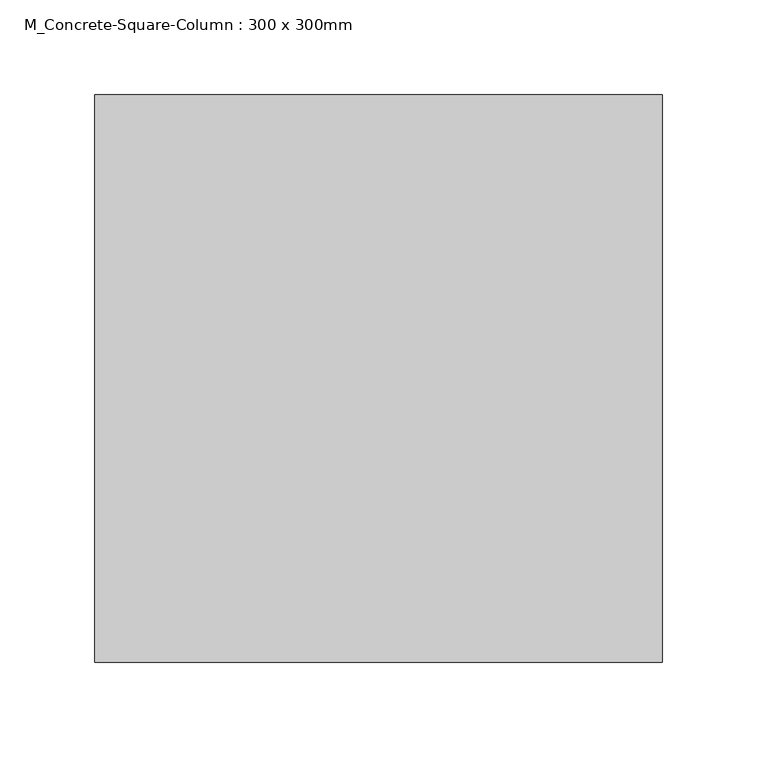
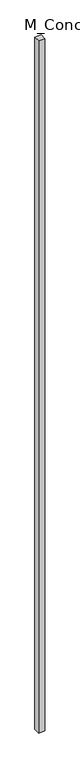
"""IFC4 building model written with IfcOpenShell, lengths in millimetres: column geometry, M_Concrete-Square-Column : 300 x 300mm."""

import ifcopenshell
import ifcopenshell.guid

model = None  # the IFC model being written
_history = None  # IfcOwnerHistory: only IFC2X3 demands one
_inside = {}  # id of a spatial element -> (the spatial element, [elements in it])
_under = {}  # id of a project, library or spatial element -> (it, [spatial elements below it])
_declared = {}  # id of a project -> (the project, [libraries it declares])
_typed = {}  # id of a type object -> (the type object, [elements of that type])
_made_of = {}  # id of a material, layer set ... -> (it, [elements and type objects made of it])


def new_model(schema):
    """Start an empty IFC model of exactly this schema.

    Asked for "IFC4X3", IfcOpenShell would pick the latest addendum, in which some entities
    have other attributes; the version numbers below select the first issue.
    IFC2X3 requires an IfcOwnerHistory on every rooted entity: one is made here for all.
    """
    global model, _history
    if schema == "IFC4X3":
        model = ifcopenshell.file(schema_version=(4, 3, 0, 0))
    else:
        model = ifcopenshell.file(schema=schema)
    _inside.clear()
    _under.clear()
    _declared.clear()
    _typed.clear()
    _made_of.clear()
    _history = None
    if model.schema == "IFC2X3":
        org = make("IfcOrganization", Name="unknown")
        user = make(
            "IfcPersonAndOrganization",
            ThePerson=make("IfcPerson", FamilyName="unknown"),
            TheOrganization=org,
        )
        app = make(
            "IfcApplication",
            ApplicationDeveloper=org,
            Version="unknown",
            ApplicationFullName="unknown",
            ApplicationIdentifier="unknown",
        )
        _history = make(
            "IfcOwnerHistory",
            OwningUser=user,
            OwningApplication=app,
            ChangeAction="ADDED",
            CreationDate=0,
        )
    return model


def make(cls, **values):
    """One entity of the class cls with the attributes given. An attribute that is None is left unset."""
    return model.create_entity(
        cls, **{name: value for name, value in values.items() if value is not None}
    )


def rooted(cls, **values):
    """An entity with a GlobalId (a new one), such as an element, a storey or a relation."""
    return make(cls, GlobalId=ifcopenshell.guid.new(), OwnerHistory=_history, **values)


def si_unit(unit_type, name, prefix=None):
    """IfcSIUnit, for example si_unit("LENGTHUNIT", "METRE", prefix="MILLI")."""
    return make("IfcSIUnit", UnitType=unit_type, Prefix=prefix, Name=name)


def assignment(units):
    """IfcUnitAssignment: the units of a project."""
    return None if units is None else make("IfcUnitAssignment", Units=units)


def point(xyz):
    """IfcCartesianPoint."""
    return None if xyz is None else make("IfcCartesianPoint", Coordinates=xyz)


def direction(xyz):
    """IfcDirection."""
    return None if xyz is None else make("IfcDirection", DirectionRatios=xyz)


def frame(location, z_axis=None, x_axis=None):
    """IfcAxis2Placement3D, a coordinate frame: its origin and axes. An axis left out is left unset."""
    return make(
        "IfcAxis2Placement3D",
        Location=point(location),
        Axis=direction(z_axis),
        RefDirection=direction(x_axis),
    )


def origin():
    """The frame at (0, 0, 0) with its axes left unset."""
    return frame((0.0, 0.0, 0.0))


def place(relative_to, where):
    """IfcLocalPlacement: puts the frame where relative to a parent placement (None: the world)."""
    return make(
        "IfcLocalPlacement", PlacementRelTo=relative_to, RelativePlacement=where
    )


def context(
    kind, dimensions, precision=None, world=None, true_north=None, identifier=None
):
    """IfcGeometricRepresentationContext, for example the 3D "Model" context."""
    return make(
        "IfcGeometricRepresentationContext",
        ContextIdentifier=identifier,
        ContextType=kind,
        CoordinateSpaceDimension=dimensions,
        Precision=precision,
        WorldCoordinateSystem=world,
        TrueNorth=true_north,
    )


def project(units=None, contexts=None):
    """IfcProject with its units and contexts."""
    return rooted(
        "IfcProject",
        Name="project",
        RepresentationContexts=contexts,
        UnitsInContext=assignment(units),
    )


def spatial(cls, under=None, at=None, **own):
    """A site, building, storey or space (cls), placed at a placement, below another one or the project."""
    s = rooted(cls, ObjectPlacement=at, **own)
    if under is not None:
        _under.setdefault(under.id(), (under, []))[1].append(s)
    return s


def polyline(points):
    """IfcPolyline through the points."""
    return make("IfcPolyline", Points=[point(p) for p in points])


def outline(outer, holes=None, kind="AREA"):
    """IfcArbitraryClosedProfileDef: a profile drawn as a closed curve; with holes, ...WithVoids."""
    if holes is None:
        return make("IfcArbitraryClosedProfileDef", ProfileType=kind, OuterCurve=outer)
    return make(
        "IfcArbitraryProfileDefWithVoids",
        ProfileType=kind,
        OuterCurve=outer,
        InnerCurves=holes,
    )


def extrude(swept, where, along, depth):
    """IfcExtrudedAreaSolid: the profile swept, set in the frame where, extruded along a direction by depth."""
    return make(
        "IfcExtrudedAreaSolid",
        SweptArea=swept,
        Position=where,
        ExtrudedDirection=direction(along),
        Depth=depth,
    )


def shape(context_of_items, identifier, shape_type, items):
    """IfcShapeRepresentation: the items that make up one representation, for example the "Body"."""
    return make(
        "IfcShapeRepresentation",
        ContextOfItems=context_of_items,
        RepresentationIdentifier=identifier,
        RepresentationType=shape_type,
        Items=items,
    )


def source(mapping_origin, context_of_items, identifier, shape_type, items):
    """IfcRepresentationMap: a shape defined once, which mapped items show again and again."""
    return make(
        "IfcRepresentationMap",
        MappingOrigin=mapping_origin,
        MappedRepresentation=shape(context_of_items, identifier, shape_type, items),
    )


def transform(
    local_origin,
    x_axis=None,
    y_axis=None,
    z_axis=None,
    scale=None,
    scale2=None,
    scale3=None,
    uniform=True,
):
    """IfcCartesianTransformationOperator3D, or its non-uniform kind. x_axis, y_axis, z_axis: its Axis1, 2, 3."""
    if uniform:
        return make(
            "IfcCartesianTransformationOperator3D",
            Axis1=direction(x_axis),
            Axis2=direction(y_axis),
            LocalOrigin=point(local_origin),
            Scale=scale,
            Axis3=direction(z_axis),
        )
    return make(
        "IfcCartesianTransformationOperator3DnonUniform",
        Axis1=direction(x_axis),
        Axis2=direction(y_axis),
        LocalOrigin=point(local_origin),
        Scale=scale,
        Axis3=direction(z_axis),
        Scale2=scale2,
        Scale3=scale3,
    )


def mapped(mapping_source, mapping_target):
    """IfcMappedItem: shows the shape of a source again, moved by a transform."""
    return make(
        "IfcMappedItem", MappingSource=mapping_source, MappingTarget=mapping_target
    )


def made_of(thing, what):
    """Note that an element or type object is made of a material, layer set ...; save() writes the relation."""
    if what is not None:
        _made_of.setdefault(what.id(), (what, []))[1].append(thing)
    return thing


def element(
    cls,
    number,
    at=None,
    inside=None,
    cuts=None,
    type_object=None,
    material=None,
    context=None,
    identifier="Body",
    shape_type=None,
    held_by="IfcProductDefinitionShape",
    body=None,
    shapes=None,
    **own,
):
    """One element of the class cls, such as IfcWall. Its Tag is "e" and its number.

    at: its placement. inside: the storey or other place that contains it. cuts: it is an
    opening in that element (IfcRelVoidsElement). A single representation is given by context,
    identifier, shape_type and body (its items); several are given by shapes. held_by: the class
    of the entity that holds the representations. save() writes the other relations.
    """
    e = rooted(cls, Tag="e%d" % number, ObjectPlacement=at, **own)
    if body is not None:
        shapes = [shape(context, identifier, shape_type, body)]
    if shapes is not None:
        e.Representation = make(held_by, Representations=shapes)
    if inside is not None:
        _inside.setdefault(inside.id(), (inside, []))[1].append(e)
    if cuts is not None:
        rooted(
            "IfcRelVoidsElement", RelatingBuildingElement=cuts, RelatedOpeningElement=e
        )
    if type_object is not None:
        _typed.setdefault(type_object.id(), (type_object, []))[1].append(e)
    return made_of(e, material)


def aggregate(whole, parts):
    """IfcRelAggregates: a whole, such as a stair, and the parts it consists of."""
    return rooted("IfcRelAggregates", RelatingObject=whole, RelatedObjects=parts)


def save(model, path):
    """Write the relations noted so far, then the file.

    IfcRelAggregates (storeys below a building ...), IfcRelContainedInSpatialStructure (elements
    in a storey), IfcRelDefinesByType, IfcRelAssociatesMaterial and IfcRelDeclares: one each for
    every whole, place, type object, material and project.
    """
    for whole, parts in _under.values():
        aggregate(whole, parts)
    for where, things in _inside.values():
        rooted(
            "IfcRelContainedInSpatialStructure",
            RelatedElements=things,
            RelatingStructure=where,
        )
    for kind, things in _typed.values():
        rooted("IfcRelDefinesByType", RelatedObjects=things, RelatingType=kind)
    for what, things in _made_of.values():
        rooted("IfcRelAssociatesMaterial", RelatedObjects=things, RelatingMaterial=what)
    for by, libraries in _declared.values():
        rooted("IfcRelDeclares", RelatingContext=by, RelatedDefinitions=libraries)
    model.write(path)


def m_concrete_square_column_300_x_300mm_1f361bd0(model_context):
    return source(origin(), model_context, "Body", "SweptSolid", [
        extrude(outline(polyline([(150.0, 150.0), (150.0, -150.0), (-150.0, -150.0), (-150.0, 150.0), (150.0, 150.0)])), frame((0.0, 0.0, -3600.0), z_axis=(0.0, 0.0, 1.0), x_axis=(1.0, 0.0, 0.0)), (0.0, 0.0, 1.0), 34600.0),
    ])


if __name__ == "__main__":
    model = new_model("IFC4")
    model_context = context("Model", 3, world=origin())
    ifc_project = project(units=[si_unit("LENGTHUNIT", "METRE", prefix="MILLI")], contexts=[model_context])
    site = spatial("IfcSite", under=ifc_project)
    building = spatial("IfcBuilding", under=site)
    placement = place(None, origin())
    m_concrete_square_column_300_x_300mm_shape = m_concrete_square_column_300_x_300mm_1f361bd0(model_context)
    element("IfcColumn", 1, ObjectType="M_Concrete-Square-Column : 300 x 300mm", at=placement, inside=building, context=model_context, shape_type="MappedRepresentation", body=[
        mapped(m_concrete_square_column_300_x_300mm_shape, transform((0.0, 0.0, 0.0), x_axis=(1.0, 0.0, 0.0), y_axis=(0.0, 1.0, 0.0), z_axis=(0.0, 0.0, 1.0))),
    ])
    save(model, "model.ifc")
